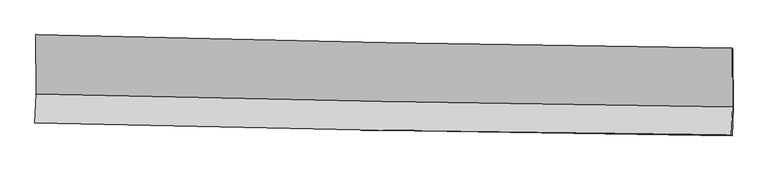
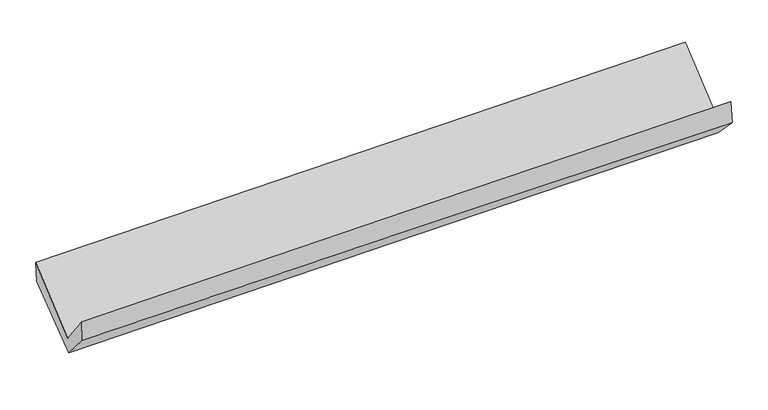
"""IFC4 building model written with IfcOpenShell, lengths in millimetres: proxy geometry."""

from ifc_helpers import new_model, si_unit, frame, origin, place, context, project, spatial, source, transform, mapped, element, save
from ifc_brep_helpers import plane_surface, spline_curve, spline_surface, advanced_brep


def generic_models_8968a159(model_context):
    return source(origin(), model_context, "Body", "AdvancedBrep", [
        advanced_brep(
        [(-3019.9700148, -1162.4738396, 2161.6964325), (-3017.1690496, -1677.1108555, 1721.0164539), (3008.0327325, -1786.8656367, 1869.5019749), (3005.1601228, -1276.3636564, 2310.6873873), (-3028.2459405, -1926.1593572, 2042.0583826), (2997.3549312, -2029.117833, 2177.6223424), (-3023.9568488, -1927.812396, 1856.6990843), (3001.8423397, -2040.7479529, 1977.5304486), (-3014.2089685, -1690.9492303, 1585.1894652), (3011.1988375, -1800.2417846, 1725.1084699), (-3015.9823939, -1174.8866508, 1982.5965571), (3009.4534193, -1290.0239253, 2117.6742211)],
        [
            (0, 1),
            (1, 2, spline_curve(3, [(-3017.1690496, -1677.1108555, 1721.0164539), (-2013.391289442, -1702.294757825, 1759.265031441), (-1009.397969182, -1724.032989103, 1790.763161781), (999.002632451, -1760.617798724, 1840.258104945), (2003.409905973, -1775.464493974, 1858.255148178), (3008.0327325, -1786.8656367, 1869.5019749)], [4, 2, 4], [0.0, 9.888776354261115, 19.777383734927])),
            (2, 3),
            (3, 0, spline_curve(3, [(3005.1601228, -1276.3636564, 2310.6873873), (2000.717532954, -1263.57583525, 2292.557663642), (996.40634861, -1247.691214271, 2271.077023738), (-1011.970368536, -1209.72804758, 2221.413486948), (-2016.035896606, -1187.649396457, 2193.23047519), (-3019.9700148, -1162.4738396, 2161.6964325)], [4, 2, 4], [0.0, 9.888607380665885, 19.777383734927])),
            (1, 4),
            (4, 5, spline_curve(3, [(-3028.2459405, -1926.1593572, 2042.0583826), (-2024.390279911, -1953.156851079, 2075.830314915), (-1020.324751884, -1975.23550227, 2104.013326801), (988.208879417, -2009.554825913, 2149.201122125), (1992.676974912, -2021.795666699, 2166.20609721), (2997.3549312, -2029.117833, 2177.6223424)], [4, 2, 4], [0.0, 9.888828823532984, 19.777488672574176])),
            (5, 2),
            (4, 6),
            (6, 7, spline_curve(3, [(-3023.9568488, -1927.812396, 1856.6990843), (-2019.942205498, -1951.345941558, 1885.794405803), (-1015.780659968, -1972.524071179, 1910.411394425), (992.819074335, -2010.16917639, 1950.688363058), (1997.257258334, -2026.636232324, 1966.34849548), (3001.8423397, -2040.7479529, 1977.5304486)], [4, 2, 4], [0.0, 9.888773683744132, 19.77737839393867])),
            (7, 5),
            (6, 8),
            (8, 9, spline_curve(3, [(-3014.2089685, -1690.9492303, 1585.1894652), (-2010.140561233, -1712.503400672, 1613.206136102), (-1005.984749885, -1732.388262357, 1638.874468164), (1002.484521967, -1768.819056786, 1685.514056158), (2006.797978868, -1785.365046471, 1706.485392457), (3011.1988375, -1800.2417846, 1725.1084699)], [4, 2, 4], [0.0, 9.88868899292914, 19.77720901375583])),
            (9, 7),
            (8, 10),
            (10, 11, spline_curve(3, [(-3015.9823939, -1174.8866508, 1982.5965571), (-2011.918486776, -1195.515567101, 2011.382489114), (-1007.762591116, -1215.424873676, 2037.031996499), (1000.716016319, -1253.803940821, 2082.057777611), (2005.038725428, -1272.273725472, 2101.43415802), (3009.4534193, -1290.0239253, 2117.6742211)], [4, 2, 4], [0.0, 9.88864502008387, 19.77712106881667])),
            (11, 9),
            (10, 0),
            (3, 11),
        ],
        [
            spline_surface(3, 3, [[(-3019.9700148, -1162.4738396, 2161.6964325), (-2016.03589658, -1187.649396567, 2193.230475101), (-1011.970368487, -1209.728047699, 2221.413486812), (996.40634856, -1247.691214152, 2271.077023873), (2000.717532955, -1263.575835244, 2292.557663801), (3005.1601228, -1276.3636564, 2310.6873873)], [(-3019.036359731, -1334.01951158, 2014.8031063), (-2015.154360828, -1359.197850291, 2048.575327253), (-1011.112902014, -1381.163028219, 2077.863378512), (997.271776483, -1418.666742295, 2127.470717543), (2001.614990648, -1434.205388187, 2147.790158618), (3006.117659343, -1446.530983168, 2163.625583185)], [(-3018.102704669, -1505.56518352, 1867.9097801), (-2014.272825084, -1530.746303975, 1903.920179403), (-1010.255435537, -1552.598008733, 1934.313270177), (998.13720441, -1589.642270431, 1983.864411179), (2002.512448412, -1604.834941125, 2003.022653378), (3007.075195957, -1616.698309932, 2016.563779015)], [(-3017.1690496, -1677.1108555, 1721.0164539), (-2013.391289331, -1702.294757698, 1759.265031555), (-1009.397969064, -1724.032989253, 1790.763161877), (999.002632333, -1760.617798575, 1840.258104849), (2003.409906105, -1775.464494068, 1858.255148196), (3008.0327325, -1786.8656367, 1869.5019749)]], [4, 4], [4, 2, 4], [0.0, 2.199240138808531], [0.0, 9.888776354261115, 19.777383734927]),
            spline_surface(3, 3, [[(-3017.1690496, -1677.1108555, 1721.0164539), (-2013.391289331, -1702.294757698, 1759.265031555), (-1009.397969064, -1724.032989253, 1790.763161877), (999.002632333, -1760.617798575, 1840.258104849), (2003.409906105, -1775.464494068, 1858.255148196), (3008.0327325, -1786.8656367, 1869.5019749)], [(-3020.861346556, -1760.127022722, 1828.030430118), (-2017.057619529, -1785.915455466, 1864.786792704), (-1013.040229983, -1807.767160224, 1895.179883477), (995.404714636, -1843.596807721, 1943.239110661), (1999.832262415, -1857.574884966, 1960.905464535), (3004.473465403, -1867.61636879, 1972.208764057)], [(-3024.553643544, -1843.143189978, 1935.044406382), (-2020.723949759, -1869.536153269, 1970.3085539), (-1016.682490846, -1891.501331197, 1999.596605059), (991.806796994, -1926.575816868, 2046.220116454), (1996.254618716, -1939.685275895, 2063.555780905), (3000.914198297, -1948.36710091, 2074.915553243)], [(-3028.2459405, -1926.1593572, 2042.0583826), (-2024.390279957, -1953.156851037, 2075.830315048), (-1020.324751764, -1975.235502169, 2104.01332666), (988.208879297, -2009.554826014, 2149.201122266), (1992.676975026, -2021.795666793, 2166.206097245), (2997.3549312, -2029.117833, 2177.6223424)]], [4, 4], [4, 2, 4], [0.0, 1.3100125306060195], [0.0, 9.888828823532984, 19.777488672574176]),
            spline_surface(3, 3, [[(-3028.2459405, -1926.1593572, 2042.0583826), (-2024.390279957, -1953.156851037, 2075.830315048), (-1020.324751764, -1975.235502169, 2104.01332666), (988.208879297, -2009.554826014, 2149.201122266), (1992.676975026, -2021.795666793, 2166.206097245), (2997.3549312, -2029.117833, 2177.6223424)], [(-3026.816243266, -1926.710370161, 1980.271949822), (-2022.907588488, -1952.553214616, 2012.485011932), (-1018.81005451, -1974.331691866, 2039.479349278), (989.745611033, -2009.759609472, 2083.030202486), (1994.203736176, -2023.409188693, 2099.58689668), (2998.850734031, -2032.99453964, 2110.925044472)], [(-3025.386546034, -1927.261383039, 1918.485517078), (-2021.42489702, -1951.949578114, 1949.13970885), (-1017.295357324, -1973.427881523, 1974.945371917), (991.282342701, -2009.96439289, 2016.859282726), (1995.730497333, -2025.022710575, 2032.967696098), (3000.346536869, -2036.87124626, 2044.227746528)], [(-3023.9568488, -1927.812396, 1856.6990843), (-2019.942205551, -1951.345941693, 1885.794405734), (-1015.780660069, -1972.52407122, 1910.411394536), (992.819074437, -2010.169176348, 1950.688362946), (1997.257258483, -2026.636232475, 1966.348495533), (3001.8423397, -2040.7479529, 1977.5304486)]], [4, 4], [4, 2, 4], [0.0, 0.6434170885917326], [0.0, 9.888773683744132, 19.77737839393867]),
            spline_surface(3, 3, [[(-3023.9568488, -1927.812396, 1856.6990843), (-2019.942205551, -1951.345941693, 1885.794405734), (-1015.780660069, -1972.52407122, 1910.411394536), (992.819074437, -2010.169176348, 1950.688362946), (1997.257258483, -2026.636232475, 1966.348495533), (3001.8423397, -2040.7479529, 1977.5304486)], [(-3020.707555368, -1848.858007406, 1766.195877942), (-2016.6749908, -1871.731761353, 1794.931649204), (-1012.515356657, -1892.478801582, 1819.89908575), (996.04089023, -1929.719136468, 1862.296927356), (2000.437498672, -1946.212503835, 1879.727461132), (3004.961172306, -1960.579230133, 1893.389789039)], [(-3017.458261932, -1769.903618894, 1675.692671558), (-2013.407776046, -1792.117581095, 1704.068892649), (-1009.250053195, -1812.433532009, 1729.386776948), (999.262706072, -1849.269096653, 1773.905491751), (2003.617738843, -1865.788775195, 1793.106426715), (3008.080004894, -1880.410507367, 1809.249129461)], [(-3014.2089685, -1690.9492303, 1585.1894652), (-2010.140561294, -1712.503400754, 1613.206136119), (-1005.984749782, -1732.38826237, 1638.874468161), (1002.484521865, -1768.819056773, 1685.51405616), (2006.797979033, -1785.365046556, 1706.485392314), (3011.1988375, -1800.2417846, 1725.1084699)]], [4, 4], [4, 2, 4], [0.0, 1.183226718987829], [0.0, 9.88868899292914, 19.77720901375583]),
            spline_surface(3, 3, [[(-3014.2089685, -1690.9492303, 1585.1894652), (-2010.140561294, -1712.503400754, 1613.206136119), (-1005.984749782, -1732.38826237, 1638.874468161), (1002.484521865, -1768.819056773, 1685.51405616), (2006.797979033, -1785.365046556, 1706.485392314), (3011.1988375, -1800.2417846, 1725.1084699)], [(-3014.800110296, -1518.928370477, 1717.658495829), (-2010.733203084, -1540.17412285, 1745.931587158), (-1006.57736357, -1560.067132855, 1771.593644326), (1001.895020044, -1597.147351428, 1817.695296605), (2006.211561124, -1614.334606174, 1838.134980889), (3010.617031447, -1630.169164832, 1855.9637203)], [(-3015.391252104, -1346.907510623, 1850.127526471), (-2011.325844885, -1367.844844916, 1878.657038211), (-1007.169977384, -1387.746003307, 1904.312820471), (1001.305518196, -1425.475646051, 1949.876537029), (2005.625143174, -1443.304165794, 1969.784569465), (3010.035225353, -1460.096545068, 1986.8189707)], [(-3015.9823939, -1174.8866508, 1982.5965571), (-2011.918486675, -1195.515567011, 2011.38248925), (-1007.762591172, -1215.424873792, 2037.031996636), (1000.716016375, -1253.803940706, 2082.057777474), (2005.038725265, -1272.273725412, 2101.43415804), (3009.4534193, -1290.0239253, 2117.6742211)]], [4, 4], [4, 2, 4], [0.0, 2.1366697455662296], [0.0, 9.88864502008387, 19.77712106881667]),
            spline_surface(3, 3, [[(-3015.9823939, -1174.8866508, 1982.5965571), (-2011.918486675, -1195.515567011, 2011.38248925), (-1007.762591172, -1215.424873792, 2037.031996636), (1000.716016375, -1253.803940706, 2082.057777474), (2005.038725265, -1272.273725412, 2101.43415804), (3009.4534193, -1290.0239253, 2117.6742211)], [(-3017.311600884, -1170.749047055, 2042.29651559), (-2013.29095666, -1192.893510185, 2071.998484557), (-1009.165183606, -1213.525931757, 2098.492493339), (999.279460441, -1251.766365184, 2145.064192918), (2003.598327831, -1269.374428692, 2165.141993274), (3008.022320469, -1285.470502336, 2182.011943147)], [(-3018.640807816, -1166.611443345, 2101.99647401), (-2014.663426594, -1190.271453393, 2132.614479794), (-1010.567776053, -1211.626989734, 2159.95299011), (997.842904494, -1249.728789674, 2208.070608429), (2002.157930389, -1266.475131964, 2228.849828567), (3006.591221631, -1280.917079364, 2246.349665253)], [(-3019.9700148, -1162.4738396, 2161.6964325), (-2016.03589658, -1187.649396567, 2193.230475101), (-1011.970368487, -1209.728047699, 2221.413486812), (996.40634856, -1247.691214152, 2271.077023873), (2000.717532955, -1263.575835244, 2292.557663801), (3005.1601228, -1276.3636564, 2310.6873873)]], [4, 4], [4, 2, 4], [0.0, 0.6129994144995012], [0.0, 9.888691056165436, 19.77721314019317]),
            plane_surface(frame((3005.5070638, -1703.8934648, 2029.6874741), z_axis=(0.999624635420073, -0.014476601696487972, 0.023259756331644166), x_axis=(-0.0027112666421922733, 0.7925531518697994, 0.6097968108267227))),
            plane_surface(frame((-3019.9222027, -1593.2320549, 1891.5427293), z_axis=(-0.9996246354197349, 0.0144766017059199, -0.02325975634030796), x_axis=(0.022206030478573335, -0.06912373767851114, -0.9973609181734249))),
        ],
        [
            (0, [[1, 2, 3, 4]]),
            (1, [[5, 6, 7, -2]]),
            (2, [[8, 9, 10, -6]]),
            (3, [[11, 12, 13, -9]]),
            (4, [[14, 15, 16, -12]]),
            (5, [[17, -4, 18, -15]]),
            (6, [[-16, -18, -3, -7, -10, -13]]),
            (7, [[-17, -14, -11, -8, -5, -1]]),
        ],
    ),
    ])


if __name__ == "__main__":
    model = new_model("IFC4")
    model_context = context("Model", 3, world=origin())
    ifc_project = project(units=[si_unit("LENGTHUNIT", "METRE", prefix="MILLI")], contexts=[model_context])
    site = spatial("IfcSite", under=ifc_project)
    building = spatial("IfcBuilding", under=site)
    placement = place(None, origin())
    generic_models_shape = generic_models_8968a159(model_context)
    element("IfcBuildingElementProxy", 1, Name="Generic Models", at=placement, inside=building, context=model_context, shape_type="MappedRepresentation", body=[
        mapped(generic_models_shape, transform((0.0, 0.0, 0.0), x_axis=(1.0, 0.0, 0.0), y_axis=(0.0, 1.0, 0.0), z_axis=(0.0, 0.0, 1.0))),
    ])
    save(model, "model.ifc")
